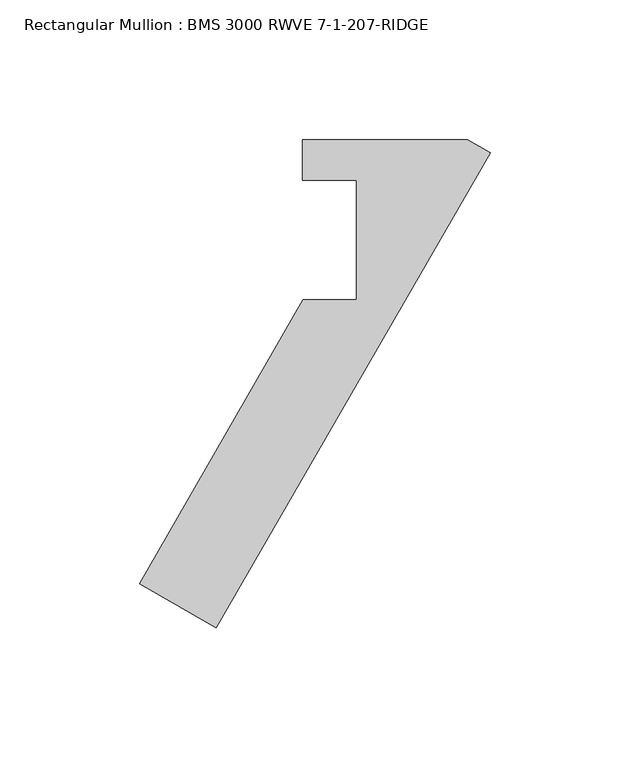
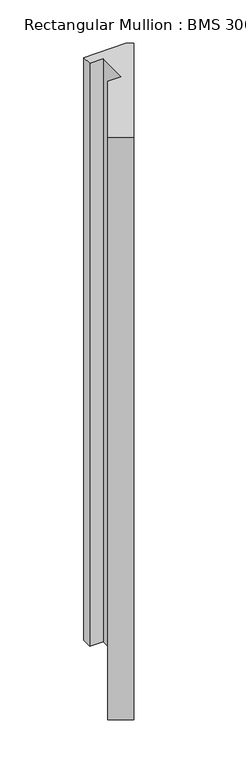
"""IFC4 building model written with IfcOpenShell, lengths in millimetres: member geometry, Rectangular Mullion : BMS 3000 RWVE 7-1-207-RIDGE."""

import ifcopenshell
import ifcopenshell.guid

model = None  # the IFC model being written
_history = None  # IfcOwnerHistory: only IFC2X3 demands one
_inside = {}  # id of a spatial element -> (the spatial element, [elements in it])
_under = {}  # id of a project, library or spatial element -> (it, [spatial elements below it])
_declared = {}  # id of a project -> (the project, [libraries it declares])
_typed = {}  # id of a type object -> (the type object, [elements of that type])
_made_of = {}  # id of a material, layer set ... -> (it, [elements and type objects made of it])


def new_model(schema):
    """Start an empty IFC model of exactly this schema.

    Asked for "IFC4X3", IfcOpenShell would pick the latest addendum, in which some entities
    have other attributes; the version numbers below select the first issue.
    IFC2X3 requires an IfcOwnerHistory on every rooted entity: one is made here for all.
    """
    global model, _history
    if schema == "IFC4X3":
        model = ifcopenshell.file(schema_version=(4, 3, 0, 0))
    else:
        model = ifcopenshell.file(schema=schema)
    _inside.clear()
    _under.clear()
    _declared.clear()
    _typed.clear()
    _made_of.clear()
    _history = None
    if model.schema == "IFC2X3":
        org = make("IfcOrganization", Name="unknown")
        user = make(
            "IfcPersonAndOrganization",
            ThePerson=make("IfcPerson", FamilyName="unknown"),
            TheOrganization=org,
        )
        app = make(
            "IfcApplication",
            ApplicationDeveloper=org,
            Version="unknown",
            ApplicationFullName="unknown",
            ApplicationIdentifier="unknown",
        )
        _history = make(
            "IfcOwnerHistory",
            OwningUser=user,
            OwningApplication=app,
            ChangeAction="ADDED",
            CreationDate=0,
        )
    return model


def make(cls, **values):
    """One entity of the class cls with the attributes given. An attribute that is None is left unset."""
    return model.create_entity(
        cls, **{name: value for name, value in values.items() if value is not None}
    )


def rooted(cls, **values):
    """An entity with a GlobalId (a new one), such as an element, a storey or a relation."""
    return make(cls, GlobalId=ifcopenshell.guid.new(), OwnerHistory=_history, **values)


def si_unit(unit_type, name, prefix=None):
    """IfcSIUnit, for example si_unit("LENGTHUNIT", "METRE", prefix="MILLI")."""
    return make("IfcSIUnit", UnitType=unit_type, Prefix=prefix, Name=name)


def assignment(units):
    """IfcUnitAssignment: the units of a project."""
    return None if units is None else make("IfcUnitAssignment", Units=units)


def point(xyz):
    """IfcCartesianPoint."""
    return None if xyz is None else make("IfcCartesianPoint", Coordinates=xyz)


def direction(xyz):
    """IfcDirection."""
    return None if xyz is None else make("IfcDirection", DirectionRatios=xyz)


def frame(location, z_axis=None, x_axis=None):
    """IfcAxis2Placement3D, a coordinate frame: its origin and axes. An axis left out is left unset."""
    return make(
        "IfcAxis2Placement3D",
        Location=point(location),
        Axis=direction(z_axis),
        RefDirection=direction(x_axis),
    )


def origin():
    """The frame at (0, 0, 0) with its axes left unset."""
    return frame((0.0, 0.0, 0.0))


def place(relative_to, where):
    """IfcLocalPlacement: puts the frame where relative to a parent placement (None: the world)."""
    return make(
        "IfcLocalPlacement", PlacementRelTo=relative_to, RelativePlacement=where
    )


def context(
    kind, dimensions, precision=None, world=None, true_north=None, identifier=None
):
    """IfcGeometricRepresentationContext, for example the 3D "Model" context."""
    return make(
        "IfcGeometricRepresentationContext",
        ContextIdentifier=identifier,
        ContextType=kind,
        CoordinateSpaceDimension=dimensions,
        Precision=precision,
        WorldCoordinateSystem=world,
        TrueNorth=true_north,
    )


def project(units=None, contexts=None):
    """IfcProject with its units and contexts."""
    return rooted(
        "IfcProject",
        Name="project",
        RepresentationContexts=contexts,
        UnitsInContext=assignment(units),
    )


def spatial(cls, under=None, at=None, **own):
    """A site, building, storey or space (cls), placed at a placement, below another one or the project."""
    s = rooted(cls, ObjectPlacement=at, **own)
    if under is not None:
        _under.setdefault(under.id(), (under, []))[1].append(s)
    return s


def polyline(points):
    """IfcPolyline through the points."""
    return make("IfcPolyline", Points=[point(p) for p in points])


def outline(outer, holes=None, kind="AREA"):
    """IfcArbitraryClosedProfileDef: a profile drawn as a closed curve; with holes, ...WithVoids."""
    if holes is None:
        return make("IfcArbitraryClosedProfileDef", ProfileType=kind, OuterCurve=outer)
    return make(
        "IfcArbitraryProfileDefWithVoids",
        ProfileType=kind,
        OuterCurve=outer,
        InnerCurves=holes,
    )


def extrude(swept, where, along, depth):
    """IfcExtrudedAreaSolid: the profile swept, set in the frame where, extruded along a direction by depth."""
    return make(
        "IfcExtrudedAreaSolid",
        SweptArea=swept,
        Position=where,
        ExtrudedDirection=direction(along),
        Depth=depth,
    )


def shape(context_of_items, identifier, shape_type, items):
    """IfcShapeRepresentation: the items that make up one representation, for example the "Body"."""
    return make(
        "IfcShapeRepresentation",
        ContextOfItems=context_of_items,
        RepresentationIdentifier=identifier,
        RepresentationType=shape_type,
        Items=items,
    )


def source(mapping_origin, context_of_items, identifier, shape_type, items):
    """IfcRepresentationMap: a shape defined once, which mapped items show again and again."""
    return make(
        "IfcRepresentationMap",
        MappingOrigin=mapping_origin,
        MappedRepresentation=shape(context_of_items, identifier, shape_type, items),
    )


def transform(
    local_origin,
    x_axis=None,
    y_axis=None,
    z_axis=None,
    scale=None,
    scale2=None,
    scale3=None,
    uniform=True,
):
    """IfcCartesianTransformationOperator3D, or its non-uniform kind. x_axis, y_axis, z_axis: its Axis1, 2, 3."""
    if uniform:
        return make(
            "IfcCartesianTransformationOperator3D",
            Axis1=direction(x_axis),
            Axis2=direction(y_axis),
            LocalOrigin=point(local_origin),
            Scale=scale,
            Axis3=direction(z_axis),
        )
    return make(
        "IfcCartesianTransformationOperator3DnonUniform",
        Axis1=direction(x_axis),
        Axis2=direction(y_axis),
        LocalOrigin=point(local_origin),
        Scale=scale,
        Axis3=direction(z_axis),
        Scale2=scale2,
        Scale3=scale3,
    )


def mapped(mapping_source, mapping_target):
    """IfcMappedItem: shows the shape of a source again, moved by a transform."""
    return make(
        "IfcMappedItem", MappingSource=mapping_source, MappingTarget=mapping_target
    )


def made_of(thing, what):
    """Note that an element or type object is made of a material, layer set ...; save() writes the relation."""
    if what is not None:
        _made_of.setdefault(what.id(), (what, []))[1].append(thing)
    return thing


def element(
    cls,
    number,
    at=None,
    inside=None,
    cuts=None,
    type_object=None,
    material=None,
    context=None,
    identifier="Body",
    shape_type=None,
    held_by="IfcProductDefinitionShape",
    body=None,
    shapes=None,
    **own,
):
    """One element of the class cls, such as IfcWall. Its Tag is "e" and its number.

    at: its placement. inside: the storey or other place that contains it. cuts: it is an
    opening in that element (IfcRelVoidsElement). A single representation is given by context,
    identifier, shape_type and body (its items); several are given by shapes. held_by: the class
    of the entity that holds the representations. save() writes the other relations.
    """
    e = rooted(cls, Tag="e%d" % number, ObjectPlacement=at, **own)
    if body is not None:
        shapes = [shape(context, identifier, shape_type, body)]
    if shapes is not None:
        e.Representation = make(held_by, Representations=shapes)
    if inside is not None:
        _inside.setdefault(inside.id(), (inside, []))[1].append(e)
    if cuts is not None:
        rooted(
            "IfcRelVoidsElement", RelatingBuildingElement=cuts, RelatedOpeningElement=e
        )
    if type_object is not None:
        _typed.setdefault(type_object.id(), (type_object, []))[1].append(e)
    return made_of(e, material)


def aggregate(whole, parts):
    """IfcRelAggregates: a whole, such as a stair, and the parts it consists of."""
    return rooted("IfcRelAggregates", RelatingObject=whole, RelatedObjects=parts)


def save(model, path):
    """Write the relations noted so far, then the file.

    IfcRelAggregates (storeys below a building ...), IfcRelContainedInSpatialStructure (elements
    in a storey), IfcRelDefinesByType, IfcRelAssociatesMaterial and IfcRelDeclares: one each for
    every whole, place, type object, material and project.
    """
    for whole, parts in _under.values():
        aggregate(whole, parts)
    for where, things in _inside.values():
        rooted(
            "IfcRelContainedInSpatialStructure",
            RelatedElements=things,
            RelatingStructure=where,
        )
    for kind, things in _typed.values():
        rooted("IfcRelDefinesByType", RelatedObjects=things, RelatingType=kind)
    for what, things in _made_of.values():
        rooted("IfcRelAssociatesMaterial", RelatedObjects=things, RelatingMaterial=what)
    for by, libraries in _declared.values():
        rooted("IfcRelDeclares", RelatingContext=by, RelatedDefinitions=libraries)
    model.write(path)


def rectangular_mullion_bms_3000_rwve_7_1_207_ridge_bd61ae2e(model_context):
    return source(origin(), model_context, "Body", "SweptSolid", [
        extrude(outline(polyline([(-8.2593666, 4.7511348), (0.0, -0.0174127), (-98.2237332, -170.1459091), (-125.7200397, -154.2709091), (-67.0612524, -52.6709091), (-48.0112524, -52.6709091), (-48.0112524, -9.7425031), (-67.2653176, -9.7425031), (-67.2653176, 4.7511348), (-8.2593666, 4.7511348)])), frame((0.0, 0.0, -857.25), z_axis=(0.0, 0.0, 1.0), x_axis=(1.0, 0.0, 0.0)), (0.0, 0.0, 1.0), 857.25),
    ])


if __name__ == "__main__":
    model = new_model("IFC4")
    model_context = context("Model", 3, world=origin())
    ifc_project = project(units=[si_unit("LENGTHUNIT", "METRE", prefix="MILLI")], contexts=[model_context])
    site = spatial("IfcSite", under=ifc_project)
    building = spatial("IfcBuilding", under=site)
    placement = place(None, origin())
    rectangular_mullion_bms_3000_rwve_7_1_207_ridge_shape = rectangular_mullion_bms_3000_rwve_7_1_207_ridge_bd61ae2e(model_context)
    element("IfcMember", 1, ObjectType="Rectangular Mullion : BMS 3000 RWVE 7-1-207-RIDGE", at=placement, inside=building, context=model_context, shape_type="MappedRepresentation", body=[
        mapped(rectangular_mullion_bms_3000_rwve_7_1_207_ridge_shape, transform((0.0, 0.0, 0.0), x_axis=(1.0, 0.0, 0.0), y_axis=(0.0, 1.0, 0.0), z_axis=(0.0, 0.0, 1.0))),
    ])
    save(model, "model.ifc")
